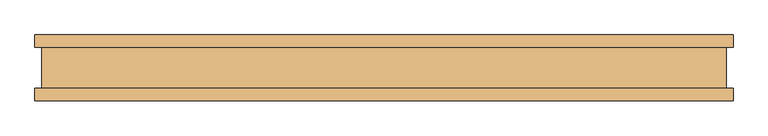
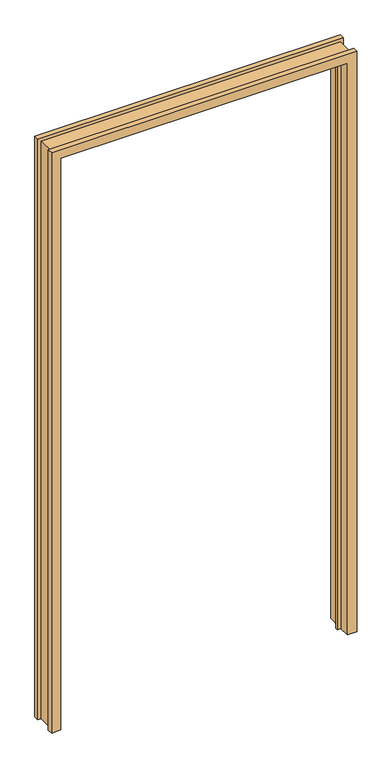
"""IFC4 building model written with IfcOpenShell, lengths in millimetres: door geometry."""

from ifc_helpers import new_model, si_unit, origin, place, context, project, spatial, faceted_brep, source, transform, mapped, element, save


def door_8d02d2e6(model_context):
    return source(origin(), model_context, "Body", "Brep", [
        faceted_brep([(-498.6782, 50.0254003, 0.0), (-498.6782, -2.5906997, 0.0), (-485.7242, -2.5906997, 0.0), (-485.7242, -10.8710997, 0.0), (-498.6782, -10.8710997, 0.0), (-498.6782, -50.0254003, 0.0), (-531.3172, -50.0254003, 0.0), (-531.3172, -31.4833003, 0.0), (-520.7, -31.4833003, 0.0), (-520.7, 31.4833003, 0.0), (-531.3172, 31.4833003, 0.0), (-531.3172, 50.0254003, 0.0), (498.6782, 50.0254003, 0.0), (531.3172, 50.0254003, 0.0), (531.3172, 31.4833003, 0.0), (520.7, 31.4833003, 0.0), (520.7, -31.4833003, 0.0), (531.3172, -31.4833003, 0.0), (531.3172, -50.0254003, 0.0), (498.6782, -50.0254003, 0.0), (498.6782, -10.8710997, 0.0), (485.7242, -10.8710997, 0.0), (485.7242, -2.5906997, 0.0), (498.6782, -2.5906997, 0.0), (-498.6782, 50.0254003, 2100.5725997), (-498.6782, -2.5906997, 2100.5725997), (498.6782, -2.5906997, 2100.5725997), (485.7242, -2.5906997, 2087.6185997), (-485.7242, -2.5906997, 2087.6185997), (-485.7242, -10.8710997, 2087.6185997), (485.7242, -10.8710997, 2087.6185997), (498.6782, -10.8710997, 2100.5725997), (-498.6782, -10.8710997, 2100.5725997), (-498.6782, -50.0254003, 2100.5725997), (498.6782, -50.0254003, 2100.5725997), (531.3172, -50.0254003, 2133.2115997), (-531.3172, -50.0254003, 2133.2115997), (-531.3172, -31.4833003, 2133.2115997), (531.3172, -31.4833003, 2133.2115997), (520.7, -31.4833003, 2122.5943997), (-520.7, -31.4833003, 2122.5943997), (-520.7, 31.4833003, 2122.5943997), (520.7, 31.4833003, 2122.5943997), (531.3172, 31.4833003, 2133.2115997), (-531.3172, 31.4833003, 2133.2115997), (-531.3172, 50.0254003, 2133.2115997), (531.3172, 50.0254003, 2133.2115997), (498.6782, 50.0254003, 2100.5725997)], [[[0, 1, 2, 3, 4, 5, 6, 7, 8, 9, 10, 11]], [[12, 13, 14, 15, 16, 17, 18, 19, 20, 21, 22, 23]], [[1, 0, 24, 25]], [[2, 1, 25, 26, 23, 22, 27, 28]], [[3, 2, 28, 29]], [[4, 3, 29, 30, 21, 20, 31, 32]], [[5, 4, 32, 33]], [[6, 5, 33, 34, 19, 18, 35, 36]], [[7, 6, 36, 37]], [[8, 7, 37, 38, 17, 16, 39, 40]], [[9, 8, 40, 41]], [[10, 9, 41, 42, 15, 14, 43, 44]], [[11, 10, 44, 45]], [[0, 11, 45, 46, 13, 12, 47, 24]], [[25, 24, 47, 26]], [[29, 28, 27, 30]], [[33, 32, 31, 34]], [[37, 36, 35, 38]], [[41, 40, 39, 42]], [[45, 44, 43, 46]], [[26, 47, 12, 23]], [[30, 27, 22, 21]], [[34, 31, 20, 19]], [[38, 35, 18, 17]], [[42, 39, 16, 15]], [[46, 43, 14, 13]]]),
    ])


if __name__ == "__main__":
    model = new_model("IFC4")
    model_context = context("Model", 3, world=origin())
    ifc_project = project(units=[si_unit("LENGTHUNIT", "METRE", prefix="MILLI")], contexts=[model_context])
    site = spatial("IfcSite", under=ifc_project)
    building = spatial("IfcBuilding", under=site)
    placement = place(None, origin())
    door_shape = door_8d02d2e6(model_context)
    element("IfcDoor", 1, at=placement, inside=building, context=model_context, shape_type="MappedRepresentation", body=[
        mapped(door_shape, transform((0.0, 0.0, 0.0), x_axis=(1.0, 0.0, 0.0), y_axis=(0.0, 1.0, 0.0), z_axis=(0.0, 0.0, 1.0))),
    ])
    save(model, "model.ifc")
